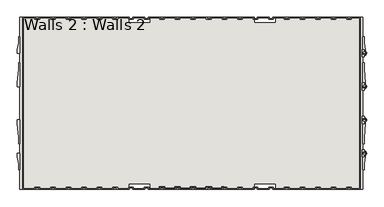
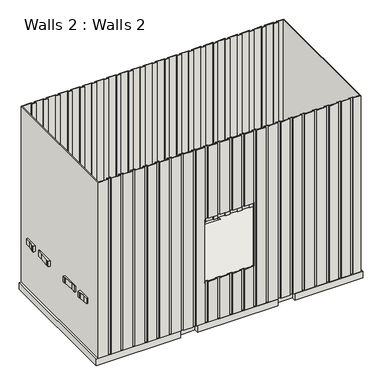
"""IFC4 building model written with IfcOpenShell, lengths in millimetres: wall geometry, Walls 2 : Walls 2."""

from ifc_helpers import new_model, si_unit, point, frame, frame_2d, origin, origin_with_axes, place, context, project, spatial, polyline, circle_curve, trimmed, segment, composite_curve, outline, extrude, faceted_brep, source, transform, mapped, element, save


def walls_2_walls_2_4fd3017e(model_context):
    return source(origin(), model_context, "Body", "SolidModel", [
        extrude(outline(polyline([(5272.3343803, 284.0951922), (5272.3343803, 207.8951922), (5577.1343803, 207.8951922), (5577.1343803, 284.0951922), (7054.9525621, 284.0951922), (7054.9525621, 207.8951922), (7359.7525621, 207.8951922), (7359.7525621, 284.0951922), (8602.0434712, 284.0951922), (8602.0434712, -2154.3048078), (7359.7525621, -2154.3048078), (7359.7525621, -2078.1048078), (7054.9525621, -2078.1048078), (7054.9525621, -2154.3048078), (5577.1343803, -2154.3048078), (5577.1343803, -2078.1048078), (5272.3343803, -2078.1048078), (5272.3343803, -2154.3048078), (3725.2434712, -2154.3048078), (3725.2434712, 284.0951922), (5272.3343803, 284.0951922)])), origin_with_axes(), (0.0, 0.0, 1.0), 127.0),
        faceted_brep([(3946.9161985, 284.0951922, 3530.6), (3763.3434712, 284.0951922, 3530.6), (3763.3434712, -2154.3048078, 3530.6), (3946.9161985, -2154.3048078, 3530.6), (3946.9161985, -2135.2548078, 3530.6), (3997.7161985, -2135.2548078, 3530.6), (3997.7161985, -2154.3048078, 3530.6), (4168.5889258, -2154.3048078, 3530.6), (4168.5889258, -2135.2548078, 3530.6), (4219.3889258, -2135.2548078, 3530.6), (4219.3889258, -2154.3048078, 3530.6), (4390.261653, -2154.3048078, 3530.6), (4390.261653, -2135.2548078, 3530.6), (4441.061653, -2135.2548078, 3530.6), (4441.061653, -2154.3048078, 3530.6), (4611.9343803, -2154.3048078, 3530.6), (4611.9343803, -2135.2548078, 3530.6), (4662.7343803, -2135.2548078, 3530.6), (4662.7343803, -2154.3048078, 3530.6), (4833.6071076, -2154.3048078, 3530.6), (4833.6071076, -2135.2548078, 3530.6), (4884.4071076, -2135.2548078, 3530.6), (4884.4071076, -2154.3048078, 3530.6), (5055.2798349, -2154.3048078, 3530.6), (5055.2798349, -2135.2548078, 3530.6), (5106.0798349, -2135.2548078, 3530.6), (5106.0798349, -2154.3048078, 3530.6), (5276.9525621, -2154.3048078, 3530.6), (5276.9525621, -2135.2548078, 3530.6), (5327.7525621, -2135.2548078, 3530.6), (5327.7525621, -2154.3048078, 3530.6), (5498.6252894, -2154.3048078, 3530.6), (5498.6252894, -2135.2548078, 3530.6), (5549.4252894, -2135.2548078, 3530.6), (5549.4252894, -2154.3048078, 3530.6), (5720.2980167, -2154.3048078, 3530.6), (5720.2980167, -2135.2548078, 3530.6), (5771.0980167, -2135.2548078, 3530.6), (5771.0980167, -2154.3048078, 3530.6), (5941.970744, -2154.3048078, 3530.6), (5941.970744, -2135.2548078, 3530.6), (5992.770744, -2135.2548078, 3530.6), (5992.770744, -2154.3048078, 3530.6), (6163.6434712, -2154.3048078, 3530.6), (6163.6434712, -2135.2548078, 3530.6), (6214.4434712, -2135.2548078, 3530.6), (6214.4434712, -2154.3048078, 3530.6), (6385.3161985, -2154.3048078, 3530.6), (6385.3161985, -2135.2548078, 3530.6), (6436.1161985, -2135.2548078, 3530.6), (6436.1161985, -2154.3048078, 3530.6), (6606.9889258, -2154.3048078, 3530.6), (6606.9889258, -2135.2548078, 3530.6), (6657.7889258, -2135.2548078, 3530.6), (6657.7889258, -2154.3048078, 3530.6), (6828.661653, -2154.3048078, 3530.6), (6828.661653, -2135.2548078, 3530.6), (6879.461653, -2135.2548078, 3530.6), (6879.461653, -2154.3048078, 3530.6), (7050.3343803, -2154.3048078, 3530.6), (7050.3343803, -2135.2548078, 3530.6), (7101.1343803, -2135.2548078, 3530.6), (7101.1343803, -2154.3048078, 3530.6), (7272.0071076, -2154.3048078, 3530.6), (7272.0071076, -2135.2548078, 3530.6), (7322.8071076, -2135.2548078, 3530.6), (7322.8071076, -2154.3048078, 3530.6), (7493.6798349, -2154.3048078, 3530.6), (7493.6798349, -2135.2548078, 3530.6), (7544.4798349, -2135.2548078, 3530.6), (7544.4798349, -2154.3048078, 3530.6), (7715.3525621, -2154.3048078, 3530.6), (7715.3525621, -2135.2548078, 3530.6), (7766.1525621, -2135.2548078, 3530.6), (7766.1525621, -2154.3048078, 3530.6), (7937.0252894, -2154.3048078, 3530.6), (7937.0252894, -2135.2548078, 3530.6), (7987.8252894, -2135.2548078, 3530.6), (7987.8252894, -2154.3048078, 3530.6), (8158.6980167, -2154.3048078, 3530.6), (8158.6980167, -2135.2548078, 3530.6), (8209.4980167, -2135.2548078, 3530.6), (8209.4980167, -2154.3048078, 3530.6), (8380.370744, -2154.3048078, 3530.6), (8380.370744, -2135.2548078, 3530.6), (8431.170744, -2135.2548078, 3530.6), (8431.170744, -2154.3048078, 3530.6), (8563.9434712, -2154.3048078, 3530.6), (8563.9434712, 284.0951922, 3530.6), (8431.170744, 284.0951922, 3530.6), (8431.170744, 265.0451922, 3530.6), (8380.370744, 265.0451922, 3530.6), (8380.370744, 284.0951922, 3530.6), (8209.4980167, 284.0951922, 3530.6), (8209.4980167, 265.0451922, 3530.6), (8158.6980167, 265.0451922, 3530.6), (8158.6980167, 284.0951922, 3530.6), (7987.8252894, 284.0951922, 3530.6), (7987.8252894, 265.0451922, 3530.6), (7937.0252894, 265.0451922, 3530.6), (7937.0252894, 284.0951922, 3530.6), (7766.1525621, 284.0951922, 3530.6), (7766.1525621, 265.0451922, 3530.6), (7715.3525621, 265.0451922, 3530.6), (7715.3525621, 284.0951922, 3530.6), (7544.4798349, 284.0951922, 3530.6), (7544.4798349, 265.0451922, 3530.6), (7493.6798349, 265.0451922, 3530.6), (7493.6798349, 284.0951922, 3530.6), (7322.8071076, 284.0951922, 3530.6), (7322.8071076, 265.0451922, 3530.6), (7272.0071076, 265.0451922, 3530.6), (7272.0071076, 284.0951922, 3530.6), (7101.1343803, 284.0951922, 3530.6), (7101.1343803, 265.0451922, 3530.6), (7050.3343803, 265.0451922, 3530.6), (7050.3343803, 284.0951922, 3530.6), (6879.461653, 284.0951922, 3530.6), (6879.461653, 265.0451922, 3530.6), (6828.661653, 265.0451922, 3530.6), (6828.661653, 284.0951922, 3530.6), (6657.7889258, 284.0951922, 3530.6), (6657.7889258, 265.0451922, 3530.6), (6606.9889258, 265.0451922, 3530.6), (6606.9889258, 284.0951922, 3530.6), (6436.1161985, 284.0951922, 3530.6), (6436.1161985, 265.0451922, 3530.6), (6385.3161985, 265.0451922, 3530.6), (6385.3161985, 284.0951922, 3530.6), (6214.4434712, 284.0951922, 3530.6), (6214.4434712, 265.0451922, 3530.6), (6163.6434712, 265.0451922, 3530.6), (6163.6434712, 284.0951922, 3530.6), (5992.770744, 284.0951922, 3530.6), (5992.770744, 265.0451922, 3530.6), (5941.970744, 265.0451922, 3530.6), (5941.970744, 284.0951922, 3530.6), (5771.0980167, 284.0951922, 3530.6), (5771.0980167, 265.0451922, 3530.6), (5720.2980167, 265.0451922, 3530.6), (5720.2980167, 284.0951922, 3530.6), (5549.4252894, 284.0951922, 3530.6), (5549.4252894, 265.0451922, 3530.6), (5498.6252894, 265.0451922, 3530.6), (5498.6252894, 284.0951922, 3530.6), (5327.7525621, 284.0951922, 3530.6), (5327.7525621, 265.0451922, 3530.6), (5276.9525621, 265.0451922, 3530.6), (5276.9525621, 284.0951922, 3530.6), (5106.0798349, 284.0951922, 3530.6), (5106.0798349, 265.0451922, 3530.6), (5055.2798349, 265.0451922, 3530.6), (5055.2798349, 284.0951922, 3530.6), (4884.4071076, 284.0951922, 3530.6), (4884.4071076, 265.0451922, 3530.6), (4833.6071076, 265.0451922, 3530.6), (4833.6071076, 284.0951922, 3530.6), (4662.7343803, 284.0951922, 3530.6), (4662.7343803, 265.0451922, 3530.6), (4611.9343803, 265.0451922, 3530.6), (4611.9343803, 284.0951922, 3530.6), (4441.061653, 284.0951922, 3530.6), (4441.061653, 265.0451922, 3530.6), (4390.261653, 265.0451922, 3530.6), (4390.261653, 284.0951922, 3530.6), (4219.3889258, 284.0951922, 3530.6), (4219.3889258, 265.0451922, 3530.6), (4168.5889258, 265.0451922, 3530.6), (4168.5889258, 284.0951922, 3530.6), (3997.7161985, 284.0951922, 3530.6), (3997.7161985, 265.0451922, 3530.6), (3946.9161985, 265.0451922, 3530.6), (3777.6309712, -2140.0173078, 3530.6), (3777.6309712, 269.8076922, 3530.6), (3932.6286985, 269.8076922, 3530.6), (3932.6286985, 250.7576922, 3530.6), (4012.0036985, 250.7576922, 3530.6), (4012.0036985, 269.8076922, 3530.6), (4154.3014258, 269.8076922, 3530.6), (4154.3014258, 250.7576922, 3530.6), (4233.6764258, 250.7576922, 3530.6), (4233.6764258, 269.8076922, 3530.6), (4375.974153, 269.8076922, 3530.6), (4375.974153, 250.7576922, 3530.6), (4455.349153, 250.7576922, 3530.6), (4455.349153, 269.8076922, 3530.6), (4597.6468803, 269.8076922, 3530.6), (4597.6468803, 250.7576922, 3530.6), (4677.0218803, 250.7576922, 3530.6), (4677.0218803, 269.8076922, 3530.6), (4819.3196076, 269.8076922, 3530.6), (4819.3196076, 250.7576922, 3530.6), (4898.6946076, 250.7576922, 3530.6), (4898.6946076, 269.8076922, 3530.6), (5040.9923349, 269.8076922, 3530.6), (5040.9923349, 250.7576922, 3530.6), (5120.3673349, 250.7576922, 3530.6), (5120.3673349, 269.8076922, 3530.6), (5262.6650621, 269.8076922, 3530.6), (5262.6650621, 250.7576922, 3530.6), (5342.0400621, 250.7576922, 3530.6), (5342.0400621, 269.8076922, 3530.6), (5484.3377894, 269.8076922, 3530.6), (5484.3377894, 250.7576922, 3530.6), (5563.7127894, 250.7576922, 3530.6), (5563.7127894, 269.8076922, 3530.6), (5706.0105167, 269.8076922, 3530.6), (5706.0105167, 250.7576922, 3530.6), (5785.3855167, 250.7576922, 3530.6), (5785.3855167, 269.8076922, 3530.6), (5927.683244, 269.8076922, 3530.6), (5927.683244, 250.7576922, 3530.6), (6007.058244, 250.7576922, 3530.6), (6007.058244, 269.8076922, 3530.6), (6149.3559712, 269.8076922, 3530.6), (6149.3559712, 250.7576922, 3530.6), (6228.7309712, 250.7576922, 3530.6), (6228.7309712, 269.8076922, 3530.6), (6371.0286985, 269.8076922, 3530.6), (6371.0286985, 250.7576922, 3530.6), (6450.4036985, 250.7576922, 3530.6), (6450.4036985, 269.8076922, 3530.6), (6592.7014258, 269.8076922, 3530.6), (6592.7014258, 250.7576922, 3530.6), (6672.0764258, 250.7576922, 3530.6), (6672.0764258, 269.8076922, 3530.6), (6814.374153, 269.8076922, 3530.6), (6814.374153, 250.7576922, 3530.6), (6893.749153, 250.7576922, 3530.6), (6893.749153, 269.8076922, 3530.6), (7036.0468803, 269.8076922, 3530.6), (7036.0468803, 250.7576922, 3530.6), (7115.4218803, 250.7576922, 3530.6), (7115.4218803, 269.8076922, 3530.6), (7257.7196076, 269.8076922, 3530.6), (7257.7196076, 250.7576922, 3530.6), (7337.0946076, 250.7576922, 3530.6), (7337.0946076, 269.8076922, 3530.6), (7479.3923349, 269.8076922, 3530.6), (7479.3923349, 250.7576922, 3530.6), (7558.7673349, 250.7576922, 3530.6), (7558.7673349, 269.8076922, 3530.6), (7701.0650621, 269.8076922, 3530.6), (7701.0650621, 250.7576922, 3530.6), (7780.4400621, 250.7576922, 3530.6), (7780.4400621, 269.8076922, 3530.6), (7922.7377894, 269.8076922, 3530.6), (7922.7377894, 250.7576922, 3530.6), (8002.1127894, 250.7576922, 3530.6), (8002.1127894, 269.8076922, 3530.6), (8144.4105167, 269.8076922, 3530.6), (8144.4105167, 250.7576922, 3530.6), (8223.7855167, 250.7576922, 3530.6), (8223.7855167, 269.8076922, 3530.6), (8366.083244, 269.8076922, 3530.6), (8366.083244, 250.7576922, 3530.6), (8445.458244, 250.7576922, 3530.6), (8445.458244, 269.8076922, 3530.6), (8549.6559712, 269.8076922, 3530.6), (8549.6559712, -2140.0173078, 3530.6), (8445.458244, -2140.0173078, 3530.6), (8445.458244, -2120.9673078, 3530.6), (8366.083244, -2120.9673078, 3530.6), (8366.083244, -2140.0173078, 3530.6), (8223.7855167, -2140.0173078, 3530.6), (8223.7855167, -2120.9673078, 3530.6), (8144.4105167, -2120.9673078, 3530.6), (8144.4105167, -2140.0173078, 3530.6), (8002.1127894, -2140.0173078, 3530.6), (8002.1127894, -2120.9673078, 3530.6), (7922.7377894, -2120.9673078, 3530.6), (7922.7377894, -2140.0173078, 3530.6), (7780.4400621, -2140.0173078, 3530.6), (7780.4400621, -2120.9673078, 3530.6), (7701.0650621, -2120.9673078, 3530.6), (7701.0650621, -2140.0173078, 3530.6), (7558.7673349, -2140.0173078, 3530.6), (7558.7673349, -2120.9673078, 3530.6), (7479.3923349, -2120.9673078, 3530.6), (7479.3923349, -2140.0173078, 3530.6), (7337.0946076, -2140.0173078, 3530.6), (7337.0946076, -2120.9673078, 3530.6), (7257.7196076, -2120.9673078, 3530.6), (7257.7196076, -2140.0173078, 3530.6), (7115.4218803, -2140.0173078, 3530.6), (7115.4218803, -2120.9673078, 3530.6), (7036.0468803, -2120.9673078, 3530.6), (7036.0468803, -2140.0173078, 3530.6), (6893.749153, -2140.0173078, 3530.6), (6893.749153, -2120.9673078, 3530.6), (6814.374153, -2120.9673078, 3530.6), (6814.374153, -2140.0173078, 3530.6), (6672.0764258, -2140.0173078, 3530.6), (6672.0764258, -2120.9673078, 3530.6), (6592.7014258, -2120.9673078, 3530.6), (6592.7014258, -2140.0173078, 3530.6), (6450.4036985, -2140.0173078, 3530.6), (6450.4036985, -2120.9673078, 3530.6), (6371.0286985, -2120.9673078, 3530.6), (6371.0286985, -2140.0173078, 3530.6), (6228.7309712, -2140.0173078, 3530.6), (6228.7309712, -2120.9673078, 3530.6), (6149.3559712, -2120.9673078, 3530.6), (6149.3559712, -2140.0173078, 3530.6), (6007.058244, -2140.0173078, 3530.6), (6007.058244, -2120.9673078, 3530.6), (5927.683244, -2120.9673078, 3530.6), (5927.683244, -2140.0173078, 3530.6), (5785.3855167, -2140.0173078, 3530.6), (5785.3855167, -2120.9673078, 3530.6), (5706.0105167, -2120.9673078, 3530.6), (5706.0105167, -2140.0173078, 3530.6), (5563.7127894, -2140.0173078, 3530.6), (5563.7127894, -2120.9673078, 3530.6), (5484.3377894, -2120.9673078, 3530.6), (5484.3377894, -2140.0173078, 3530.6), (5342.0400621, -2140.0173078, 3530.6), (5342.0400621, -2120.9673078, 3530.6), (5262.6650621, -2120.9673078, 3530.6), (5262.6650621, -2140.0173078, 3530.6), (5120.3673349, -2140.0173078, 3530.6), (5120.3673349, -2120.9673078, 3530.6), (5040.9923349, -2120.9673078, 3530.6), (5040.9923349, -2140.0173078, 3530.6), (4898.6946076, -2140.0173078, 3530.6), (4898.6946076, -2120.9673078, 3530.6), (4819.3196076, -2120.9673078, 3530.6), (4819.3196076, -2140.0173078, 3530.6), (4677.0218803, -2140.0173078, 3530.6), (4677.0218803, -2120.9673078, 3530.6), (4597.6468803, -2120.9673078, 3530.6), (4597.6468803, -2140.0173078, 3530.6), (4455.349153, -2140.0173078, 3530.6), (4455.349153, -2120.9673078, 3530.6), (4375.974153, -2120.9673078, 3530.6), (4375.974153, -2140.0173078, 3530.6), (4233.6764258, -2140.0173078, 3530.6), (4233.6764258, -2120.9673078, 3530.6), (4154.3014258, -2120.9673078, 3530.6), (4154.3014258, -2140.0173078, 3530.6), (4012.0036985, -2140.0173078, 3530.6), (4012.0036985, -2120.9673078, 3530.6), (3932.6286985, -2120.9673078, 3530.6), (3932.6286985, -2140.0173078, 3530.6), (3946.9161985, 284.0951922, 127.0), (3946.9161985, 265.0451922, 127.0), (3997.7161985, 265.0451922, 127.0), (3997.7161985, 284.0951922, 127.0), (4168.5889258, 284.0951922, 127.0), (4168.5889258, 265.0451922, 127.0), (4219.3889258, 265.0451922, 127.0), (4219.3889258, 284.0951922, 127.0), (4390.261653, 284.0951922, 127.0), (4390.261653, 265.0451922, 127.0), (4441.061653, 265.0451922, 127.0), (4441.061653, 284.0951922, 127.0), (4611.9343803, 284.0951922, 127.0), (4611.9343803, 265.0451922, 127.0), (4662.7343803, 265.0451922, 127.0), (4662.7343803, 284.0951922, 127.0), (4833.6071076, 284.0951922, 127.0), (4833.6071076, 265.0451922, 127.0), (4884.4071076, 265.0451922, 127.0), (4884.4071076, 284.0951922, 127.0), (5055.2798349, 284.0951922, 127.0), (5055.2798349, 265.0451922, 127.0), (5106.0798349, 265.0451922, 127.0), (5106.0798349, 284.0951922, 127.0), (5276.9525621, 284.0951922, 127.0), (5276.9525621, 265.0451922, 127.0), (5327.7525621, 265.0451922, 127.0), (5327.7525621, 284.0951922, 127.0), (5498.6252894, 284.0951922, 127.0), (5498.6252894, 265.0451922, 127.0), (5549.4252894, 265.0451922, 127.0), (5549.4252894, 284.0951922, 127.0), (5720.2980167, 284.0951922, 127.0), (5720.2980167, 265.0451922, 127.0), (5771.0980167, 265.0451922, 127.0), (5771.0980167, 284.0951922, 127.0), (5941.970744, 284.0951922, 127.0), (5941.970744, 265.0451922, 127.0), (5992.770744, 265.0451922, 127.0), (5992.770744, 284.0951922, 127.0), (6163.6434712, 284.0951922, 127.0), (6163.6434712, 265.0451922, 127.0), (6214.4434712, 265.0451922, 127.0), (6214.4434712, 284.0951922, 127.0), (6385.3161985, 284.0951922, 127.0), (6385.3161985, 265.0451922, 127.0), (6436.1161985, 265.0451922, 127.0), (6436.1161985, 284.0951922, 127.0), (6606.9889258, 284.0951922, 127.0), (6606.9889258, 265.0451922, 127.0), (6657.7889258, 265.0451922, 127.0), (6657.7889258, 284.0951922, 127.0), (6828.661653, 284.0951922, 127.0), (6828.661653, 265.0451922, 127.0), (6879.461653, 265.0451922, 127.0), (6879.461653, 284.0951922, 127.0), (7050.3343803, 284.0951922, 127.0), (7050.3343803, 265.0451922, 127.0), (7101.1343803, 265.0451922, 127.0), (7101.1343803, 284.0951922, 127.0), (7272.0071076, 284.0951922, 127.0), (7272.0071076, 265.0451922, 127.0), (7322.8071076, 265.0451922, 127.0), (7322.8071076, 284.0951922, 127.0), (7493.6798349, 284.0951922, 127.0), (7493.6798349, 265.0451922, 127.0), (7544.4798349, 265.0451922, 127.0), (7544.4798349, 284.0951922, 127.0), (7715.3525621, 284.0951922, 127.0), (7715.3525621, 265.0451922, 127.0), (7766.1525621, 265.0451922, 127.0), (7766.1525621, 284.0951922, 127.0), (7937.0252894, 284.0951922, 127.0), (7937.0252894, 265.0451922, 127.0), (7987.8252894, 265.0451922, 127.0), (7987.8252894, 284.0951922, 127.0), (8158.6980167, 284.0951922, 127.0), (8158.6980167, 265.0451922, 127.0), (8209.4980167, 265.0451922, 127.0), (8209.4980167, 284.0951922, 127.0), (8380.370744, 284.0951922, 127.0), (8380.370744, 265.0451922, 127.0), (8431.170744, 265.0451922, 127.0), (8431.170744, 284.0951922, 127.0), (8563.9434712, 284.0951922, 127.0), (8563.9434712, -2154.3048078, 127.0), (8431.170744, -2154.3048078, 127.0), (8431.170744, -2135.2548078, 127.0), (8380.370744, -2135.2548078, 127.0), (8380.370744, -2154.3048078, 127.0), (8209.4980167, -2154.3048078, 127.0), (8209.4980167, -2135.2548078, 127.0), (8158.6980167, -2135.2548078, 127.0), (8158.6980167, -2154.3048078, 127.0), (7987.8252894, -2154.3048078, 127.0), (7987.8252894, -2135.2548078, 127.0), (7937.0252894, -2135.2548078, 127.0), (7937.0252894, -2154.3048078, 127.0), (7766.1525621, -2154.3048078, 127.0), (7766.1525621, -2135.2548078, 127.0), (7715.3525621, -2135.2548078, 127.0), (7715.3525621, -2154.3048078, 127.0), (7544.4798349, -2154.3048078, 127.0), (7544.4798349, -2135.2548078, 127.0), (7493.6798349, -2135.2548078, 127.0), (7493.6798349, -2154.3048078, 127.0), (7322.8071076, -2154.3048078, 127.0), (7322.8071076, -2135.2548078, 127.0), (7272.0071076, -2135.2548078, 127.0), (7272.0071076, -2154.3048078, 127.0), (7101.1343803, -2154.3048078, 127.0), (7101.1343803, -2135.2548078, 127.0), (7050.3343803, -2135.2548078, 127.0), (7050.3343803, -2154.3048078, 127.0), (6879.461653, -2154.3048078, 127.0), (6879.461653, -2135.2548078, 127.0), (6828.661653, -2135.2548078, 127.0), (6828.661653, -2154.3048078, 127.0), (6657.7889258, -2154.3048078, 127.0), (6657.7889258, -2135.2548078, 127.0), (6606.9889258, -2135.2548078, 127.0), (6606.9889258, -2154.3048078, 127.0), (6436.1161985, -2154.3048078, 127.0), (6436.1161985, -2135.2548078, 127.0), (6385.3161985, -2135.2548078, 127.0), (6385.3161985, -2154.3048078, 127.0), (6214.4434712, -2154.3048078, 127.0), (6214.4434712, -2135.2548078, 127.0), (6163.6434712, -2135.2548078, 127.0), (6163.6434712, -2154.3048078, 127.0), (5992.770744, -2154.3048078, 127.0), (5992.770744, -2135.2548078, 127.0), (5941.970744, -2135.2548078, 127.0), (5941.970744, -2154.3048078, 127.0), (5771.0980167, -2154.3048078, 127.0), (5771.0980167, -2135.2548078, 127.0), (5720.2980167, -2135.2548078, 127.0), (5720.2980167, -2154.3048078, 127.0), (5549.4252894, -2154.3048078, 127.0), (5549.4252894, -2135.2548078, 127.0), (5498.6252894, -2135.2548078, 127.0), (5498.6252894, -2154.3048078, 127.0), (5327.7525621, -2154.3048078, 127.0), (5327.7525621, -2135.2548078, 127.0), (5276.9525621, -2135.2548078, 127.0), (5276.9525621, -2154.3048078, 127.0), (5106.0798349, -2154.3048078, 127.0), (5106.0798349, -2135.2548078, 127.0), (5055.2798349, -2135.2548078, 127.0), (5055.2798349, -2154.3048078, 127.0), (4884.4071076, -2154.3048078, 127.0), (4884.4071076, -2135.2548078, 127.0), (4833.6071076, -2135.2548078, 127.0), (4833.6071076, -2154.3048078, 127.0), (4662.7343803, -2154.3048078, 127.0), (4662.7343803, -2135.2548078, 127.0), (4611.9343803, -2135.2548078, 127.0), (4611.9343803, -2154.3048078, 127.0), (4441.061653, -2154.3048078, 127.0), (4441.061653, -2135.2548078, 127.0), (4390.261653, -2135.2548078, 127.0), (4390.261653, -2154.3048078, 127.0), (4219.3889258, -2154.3048078, 127.0), (4219.3889258, -2135.2548078, 127.0), (4168.5889258, -2135.2548078, 127.0), (4168.5889258, -2154.3048078, 127.0), (3997.7161985, -2154.3048078, 127.0), (3997.7161985, -2135.2548078, 127.0), (3946.9161985, -2135.2548078, 127.0), (3946.9161985, -2154.3048078, 127.0), (3763.3434712, -2154.3048078, 127.0), (3763.3434712, 284.0951922, 127.0), (3777.6309712, 269.8076922, 127.0), (3777.6309712, -2140.0173078, 127.0), (3932.6286985, -2140.0173078, 127.0), (3932.6286985, -2120.9673078, 127.0), (4012.0036985, -2120.9673078, 127.0), (4012.0036985, -2140.0173078, 127.0), (4154.3014258, -2140.0173078, 127.0), (4154.3014258, -2120.9673078, 127.0), (4233.6764258, -2120.9673078, 127.0), (4233.6764258, -2140.0173078, 127.0), (4375.974153, -2140.0173078, 127.0), (4375.974153, -2120.9673078, 127.0), (4455.349153, -2120.9673078, 127.0), (4455.349153, -2140.0173078, 127.0), (4597.6468803, -2140.0173078, 127.0), (4597.6468803, -2120.9673078, 127.0), (4677.0218803, -2120.9673078, 127.0), (4677.0218803, -2140.0173078, 127.0), (4819.3196076, -2140.0173078, 127.0), (4819.3196076, -2120.9673078, 127.0), (4898.6946076, -2120.9673078, 127.0), (4898.6946076, -2140.0173078, 127.0), (5040.9923349, -2140.0173078, 127.0), (5040.9923349, -2120.9673078, 127.0), (5120.3673349, -2120.9673078, 127.0), (5120.3673349, -2140.0173078, 127.0), (5262.6650621, -2140.0173078, 127.0), (5262.6650621, -2120.9673078, 127.0), (5342.0400621, -2120.9673078, 127.0), (5342.0400621, -2140.0173078, 127.0), (5484.3377894, -2140.0173078, 127.0), (5484.3377894, -2120.9673078, 127.0), (5563.7127894, -2120.9673078, 127.0), (5563.7127894, -2140.0173078, 127.0), (5706.0105167, -2140.0173078, 127.0), (5706.0105167, -2120.9673078, 127.0), (5785.3855167, -2120.9673078, 127.0), (5785.3855167, -2140.0173078, 127.0), (5927.683244, -2140.0173078, 127.0), (5927.683244, -2120.9673078, 127.0), (6007.058244, -2120.9673078, 127.0), (6007.058244, -2140.0173078, 127.0), (6149.3559712, -2140.0173078, 127.0), (6149.3559712, -2120.9673078, 127.0), (6228.7309712, -2120.9673078, 127.0), (6228.7309712, -2140.0173078, 127.0), (6371.0286985, -2140.0173078, 127.0), (6371.0286985, -2120.9673078, 127.0), (6450.4036985, -2120.9673078, 127.0), (6450.4036985, -2140.0173078, 127.0), (6592.7014258, -2140.0173078, 127.0), (6592.7014258, -2120.9673078, 127.0), (6672.0764258, -2120.9673078, 127.0), (6672.0764258, -2140.0173078, 127.0), (6814.374153, -2140.0173078, 127.0), (6814.374153, -2120.9673078, 127.0), (6893.749153, -2120.9673078, 127.0), (6893.749153, -2140.0173078, 127.0), (7036.0468803, -2140.0173078, 127.0), (7036.0468803, -2120.9673078, 127.0), (7115.4218803, -2120.9673078, 127.0), (7115.4218803, -2140.0173078, 127.0), (7257.7196076, -2140.0173078, 127.0), (7257.7196076, -2120.9673078, 127.0), (7337.0946076, -2120.9673078, 127.0), (7337.0946076, -2140.0173078, 127.0), (7479.3923349, -2140.0173078, 127.0), (7479.3923349, -2120.9673078, 127.0), (7558.7673349, -2120.9673078, 127.0), (7558.7673349, -2140.0173078, 127.0), (7701.0650621, -2140.0173078, 127.0), (7701.0650621, -2120.9673078, 127.0), (7780.4400621, -2120.9673078, 127.0), (7780.4400621, -2140.0173078, 127.0), (7922.7377894, -2140.0173078, 127.0), (7922.7377894, -2120.9673078, 127.0), (8002.1127894, -2120.9673078, 127.0), (8002.1127894, -2140.0173078, 127.0), (8144.4105167, -2140.0173078, 127.0), (8144.4105167, -2120.9673078, 127.0), (8223.7855167, -2120.9673078, 127.0), (8223.7855167, -2140.0173078, 127.0), (8366.083244, -2140.0173078, 127.0), (8366.083244, -2120.9673078, 127.0), (8445.458244, -2120.9673078, 127.0), (8445.458244, -2140.0173078, 127.0), (8549.6559712, -2140.0173078, 127.0), (8549.6559712, 269.8076922, 127.0), (8445.458244, 269.8076922, 127.0), (8445.458244, 250.7576922, 127.0), (8366.083244, 250.7576922, 127.0), (8366.083244, 269.8076922, 127.0), (8223.7855167, 269.8076922, 127.0), (8223.7855167, 250.7576922, 127.0), (8144.4105167, 250.7576922, 127.0), (8144.4105167, 269.8076922, 127.0), (8002.1127894, 269.8076922, 127.0), (8002.1127894, 250.7576922, 127.0), (7922.7377894, 250.7576922, 127.0), (7922.7377894, 269.8076922, 127.0), (7780.4400621, 269.8076922, 127.0), (7780.4400621, 250.7576922, 127.0), (7701.0650621, 250.7576922, 127.0), (7701.0650621, 269.8076922, 127.0), (7558.7673349, 269.8076922, 127.0), (7558.7673349, 250.7576922, 127.0), (7479.3923349, 250.7576922, 127.0), (7479.3923349, 269.8076922, 127.0), (7337.0946076, 269.8076922, 127.0), (7337.0946076, 250.7576922, 127.0), (7257.7196076, 250.7576922, 127.0), (7257.7196076, 269.8076922, 127.0), (7115.4218803, 269.8076922, 127.0), (7115.4218803, 250.7576922, 127.0), (7036.0468803, 250.7576922, 127.0), (7036.0468803, 269.8076922, 127.0), (6893.749153, 269.8076922, 127.0), (6893.749153, 250.7576922, 127.0), (6814.374153, 250.7576922, 127.0), (6814.374153, 269.8076922, 127.0), (6672.0764258, 269.8076922, 127.0), (6672.0764258, 250.7576922, 127.0), (6592.7014258, 250.7576922, 127.0), (6592.7014258, 269.8076922, 127.0), (6450.4036985, 269.8076922, 127.0), (6450.4036985, 250.7576922, 127.0), (6371.0286985, 250.7576922, 127.0), (6371.0286985, 269.8076922, 127.0), (6228.7309712, 269.8076922, 127.0), (6228.7309712, 250.7576922, 127.0), (6149.3559712, 250.7576922, 127.0), (6149.3559712, 269.8076922, 127.0), (6007.058244, 269.8076922, 127.0), (6007.058244, 250.7576922, 127.0), (5927.683244, 250.7576922, 127.0), (5927.683244, 269.8076922, 127.0), (5785.3855167, 269.8076922, 127.0), (5785.3855167, 250.7576922, 127.0), (5706.0105167, 250.7576922, 127.0), (5706.0105167, 269.8076922, 127.0), (5563.7127894, 269.8076922, 127.0), (5563.7127894, 250.7576922, 127.0), (5484.3377894, 250.7576922, 127.0), (5484.3377894, 269.8076922, 127.0), (5342.0400621, 269.8076922, 127.0), (5342.0400621, 250.7576922, 127.0), (5262.6650621, 250.7576922, 127.0), (5262.6650621, 269.8076922, 127.0), (5120.3673349, 269.8076922, 127.0), (5120.3673349, 250.7576922, 127.0), (5040.9923349, 250.7576922, 127.0), (5040.9923349, 269.8076922, 127.0), (4898.6946076, 269.8076922, 127.0), (4898.6946076, 250.7576922, 127.0), (4819.3196076, 250.7576922, 127.0), (4819.3196076, 269.8076922, 127.0), (4677.0218803, 269.8076922, 127.0), (4677.0218803, 250.7576922, 127.0), (4597.6468803, 250.7576922, 127.0), (4597.6468803, 269.8076922, 127.0), (4455.349153, 269.8076922, 127.0), (4455.349153, 250.7576922, 127.0), (4375.974153, 250.7576922, 127.0), (4375.974153, 269.8076922, 127.0), (4233.6764258, 269.8076922, 127.0), (4233.6764258, 250.7576922, 127.0), (4154.3014258, 250.7576922, 127.0), (4154.3014258, 269.8076922, 127.0), (4012.0036985, 269.8076922, 127.0), (4012.0036985, 250.7576922, 127.0), (3932.6286985, 250.7576922, 127.0), (3932.6286985, 269.8076922, 127.0), (5720.2980167, -2154.3048078, 914.4), (5706.4434712, -2154.3048078, 914.4), (5706.4434712, -2154.3048078, 2133.6), (5720.2980167, -2154.3048078, 2133.6), (5720.2980167, -2135.2548078, 2133.6), (5720.2980167, -2135.2548078, 914.4), (5771.0980167, -2135.2548078, 2133.6), (5771.0980167, -2135.2548078, 914.4), (5771.0980167, -2154.3048078, 2133.6), (5771.0980167, -2154.3048078, 914.4), (5941.970744, -2154.3048078, 2133.6), (5941.970744, -2154.3048078, 914.4), (5941.970744, -2135.2548078, 2133.6), (5941.970744, -2135.2548078, 914.4), (5992.770744, -2135.2548078, 2133.6), (5992.770744, -2135.2548078, 914.4), (5992.770744, -2154.3048078, 2133.6), (5992.770744, -2154.3048078, 914.4), (6163.6434712, -2154.3048078, 2133.6), (6163.6434712, -2154.3048078, 914.4), (6163.6434712, -2135.2548078, 2133.6), (6163.6434712, -2135.2548078, 914.4), (6214.4434712, -2135.2548078, 2133.6), (6214.4434712, -2135.2548078, 914.4), (6214.4434712, -2154.3048078, 2133.6), (6214.4434712, -2154.3048078, 914.4), (6385.3161985, -2154.3048078, 2133.6), (6385.3161985, -2154.3048078, 914.4), (6385.3161985, -2135.2548078, 2133.6), (6385.3161985, -2135.2548078, 914.4), (6436.1161985, -2135.2548078, 2133.6), (6436.1161985, -2135.2548078, 914.4), (6436.1161985, -2154.3048078, 2133.6), (6436.1161985, -2154.3048078, 914.4), (6606.9889258, -2154.3048078, 2133.6), (6606.9889258, -2154.3048078, 914.4), (6606.9889258, -2135.2548078, 2133.6), (6606.9889258, -2135.2548078, 914.4), (6620.8434712, -2135.2548078, 2133.6), (6620.8434712, -2135.2548078, 914.4), (5785.3855167, -2120.9673078, 2133.6), (5706.4434712, -2120.9673078, 2133.6), (5706.4434712, -2120.9673078, 914.4), (5785.3855167, -2120.9673078, 914.4), (5785.3855167, -2140.0173078, 2133.6), (5785.3855167, -2140.0173078, 914.4), (5927.683244, -2140.0173078, 2133.6), (5927.683244, -2140.0173078, 914.4), (5927.683244, -2120.9673078, 2133.6), (5927.683244, -2120.9673078, 914.4), (6007.058244, -2120.9673078, 2133.6), (6007.058244, -2120.9673078, 914.4), (6007.058244, -2140.0173078, 2133.6), (6007.058244, -2140.0173078, 914.4), (6149.3559712, -2140.0173078, 2133.6), (6149.3559712, -2140.0173078, 914.4), (6149.3559712, -2120.9673078, 2133.6), (6149.3559712, -2120.9673078, 914.4), (6228.7309712, -2120.9673078, 2133.6), (6228.7309712, -2120.9673078, 914.4), (6228.7309712, -2140.0173078, 2133.6), (6228.7309712, -2140.0173078, 914.4), (6371.0286985, -2140.0173078, 2133.6), (6371.0286985, -2140.0173078, 914.4), (6371.0286985, -2120.9673078, 2133.6), (6371.0286985, -2120.9673078, 914.4), (6450.4036985, -2120.9673078, 2133.6), (6450.4036985, -2120.9673078, 914.4), (6450.4036985, -2140.0173078, 2133.6), (6450.4036985, -2140.0173078, 914.4), (6592.7014258, -2140.0173078, 2133.6), (6592.7014258, -2140.0173078, 914.4), (6592.7014258, -2120.9673078, 2133.6), (6592.7014258, -2120.9673078, 914.4), (6620.8434712, -2120.9673078, 914.4), (6620.8434712, -2120.9673078, 2133.6)], [[[0, 1, 2, 3, 4, 5, 6, 7, 8, 9, 10, 11, 12, 13, 14, 15, 16, 17, 18, 19, 20, 21, 22, 23, 24, 25, 26, 27, 28, 29, 30, 31, 32, 33, 34, 35, 36, 37, 38, 39, 40, 41, 42, 43, 44, 45, 46, 47, 48, 49, 50, 51, 52, 53, 54, 55, 56, 57, 58, 59, 60, 61, 62, 63, 64, 65, 66, 67, 68, 69, 70, 71, 72, 73, 74, 75, 76, 77, 78, 79, 80, 81, 82, 83, 84, 85, 86, 87, 88, 89, 90, 91, 92, 93, 94, 95, 96, 97, 98, 99, 100, 101, 102, 103, 104, 105, 106, 107, 108, 109, 110, 111, 112, 113, 114, 115, 116, 117, 118, 119, 120, 121, 122, 123, 124, 125, 126, 127, 128, 129, 130, 131, 132, 133, 134, 135, 136, 137, 138, 139, 140, 141, 142, 143, 144, 145, 146, 147, 148, 149, 150, 151, 152, 153, 154, 155, 156, 157, 158, 159, 160, 161, 162, 163, 164, 165, 166, 167, 168, 169, 170, 171], [172, 173, 174, 175, 176, 177, 178, 179, 180, 181, 182, 183, 184, 185, 186, 187, 188, 189, 190, 191, 192, 193, 194, 195, 196, 197, 198, 199, 200, 201, 202, 203, 204, 205, 206, 207, 208, 209, 210, 211, 212, 213, 214, 215, 216, 217, 218, 219, 220, 221, 222, 223, 224, 225, 226, 227, 228, 229, 230, 231, 232, 233, 234, 235, 236, 237, 238, 239, 240, 241, 242, 243, 244, 245, 246, 247, 248, 249, 250, 251, 252, 253, 254, 255, 256, 257, 258, 259, 260, 261, 262, 263, 264, 265, 266, 267, 268, 269, 270, 271, 272, 273, 274, 275, 276, 277, 278, 279, 280, 281, 282, 283, 284, 285, 286, 287, 288, 289, 290, 291, 292, 293, 294, 295, 296, 297, 298, 299, 300, 301, 302, 303, 304, 305, 306, 307, 308, 309, 310, 311, 312, 313, 314, 315, 316, 317, 318, 319, 320, 321, 322, 323, 324, 325, 326, 327, 328, 329, 330, 331, 332, 333, 334, 335, 336, 337, 338, 339, 340, 341, 342, 343]], [[344, 345, 346, 347, 348, 349, 350, 351, 352, 353, 354, 355, 356, 357, 358, 359, 360, 361, 362, 363, 364, 365, 366, 367, 368, 369, 370, 371, 372, 373, 374, 375, 376, 377, 378, 379, 380, 381, 382, 383, 384, 385, 386, 387, 388, 389, 390, 391, 392, 393, 394, 395, 396, 397, 398, 399, 400, 401, 402, 403, 404, 405, 406, 407, 408, 409, 410, 411, 412, 413, 414, 415, 416, 417, 418, 419, 420, 421, 422, 423, 424, 425, 426, 427, 428, 429, 430, 431, 432, 433, 434, 435, 436, 437, 438, 439, 440, 441, 442, 443, 444, 445, 446, 447, 448, 449, 450, 451, 452, 453, 454, 455, 456, 457, 458, 459, 460, 461, 462, 463, 464, 465, 466, 467, 468, 469, 470, 471, 472, 473, 474, 475, 476, 477, 478, 479, 480, 481, 482, 483, 484, 485, 486, 487, 488, 489, 490, 491, 492, 493, 494, 495, 496, 497, 498, 499, 500, 501, 502, 503, 504, 505, 506, 507, 508, 509, 510, 511, 512, 513, 514, 515], [516, 517, 518, 519, 520, 521, 522, 523, 524, 525, 526, 527, 528, 529, 530, 531, 532, 533, 534, 535, 536, 537, 538, 539, 540, 541, 542, 543, 544, 545, 546, 547, 548, 549, 550, 551, 552, 553, 554, 555, 556, 557, 558, 559, 560, 561, 562, 563, 564, 565, 566, 567, 568, 569, 570, 571, 572, 573, 574, 575, 576, 577, 578, 579, 580, 581, 582, 583, 584, 585, 586, 587, 588, 589, 590, 591, 592, 593, 594, 595, 596, 597, 598, 599, 600, 601, 602, 603, 604, 605, 606, 607, 608, 609, 610, 611, 612, 613, 614, 615, 616, 617, 618, 619, 620, 621, 622, 623, 624, 625, 626, 627, 628, 629, 630, 631, 632, 633, 634, 635, 636, 637, 638, 639, 640, 641, 642, 643, 644, 645, 646, 647, 648, 649, 650, 651, 652, 653, 654, 655, 656, 657, 658, 659, 660, 661, 662, 663, 664, 665, 666, 667, 668, 669, 670, 671, 672, 673, 674, 675, 676, 677, 678, 679, 680, 681, 682, 683, 684, 685, 686, 687]], [[1, 0, 344, 515]], [[2, 1, 515, 514]], [[3, 2, 514, 513]], [[4, 3, 513, 512]], [[5, 4, 512, 511]], [[6, 5, 511, 510]], [[7, 6, 510, 509]], [[8, 7, 509, 508]], [[9, 8, 508, 507]], [[10, 9, 507, 506]], [[11, 10, 506, 505]], [[12, 11, 505, 504]], [[13, 12, 504, 503]], [[14, 13, 503, 502]], [[15, 14, 502, 501]], [[16, 15, 501, 500]], [[17, 16, 500, 499]], [[18, 17, 499, 498]], [[19, 18, 498, 497]], [[20, 19, 497, 496]], [[21, 20, 496, 495]], [[22, 21, 495, 494]], [[23, 22, 494, 493]], [[24, 23, 493, 492]], [[25, 24, 492, 491]], [[26, 25, 491, 490]], [[27, 26, 490, 489]], [[28, 27, 489, 488]], [[29, 28, 488, 487]], [[30, 29, 487, 486]], [[31, 30, 486, 485]], [[32, 31, 485, 484]], [[33, 32, 484, 483]], [[34, 33, 483, 482]], [[35, 34, 482, 481, 688, 689, 690, 691]], [[36, 35, 691, 692]], [[481, 480, 693, 688]], [[37, 36, 692, 694]], [[480, 479, 695, 693]], [[38, 37, 694, 696]], [[479, 478, 697, 695]], [[39, 38, 696, 698]], [[478, 477, 699, 697]], [[40, 39, 698, 700]], [[477, 476, 701, 699]], [[41, 40, 700, 702]], [[476, 475, 703, 701]], [[42, 41, 702, 704]], [[475, 474, 705, 703]], [[43, 42, 704, 706]], [[474, 473, 707, 705]], [[44, 43, 706, 708]], [[473, 472, 709, 707]], [[45, 44, 708, 710]], [[472, 471, 711, 709]], [[46, 45, 710, 712]], [[471, 470, 713, 711]], [[47, 46, 712, 714]], [[470, 469, 715, 713]], [[48, 47, 714, 716]], [[469, 468, 717, 715]], [[49, 48, 716, 718]], [[468, 467, 719, 717]], [[50, 49, 718, 720]], [[467, 466, 721, 719]], [[51, 50, 720, 722]], [[466, 465, 723, 721]], [[52, 51, 722, 724]], [[465, 464, 725, 723]], [[53, 52, 724, 726, 727, 725, 464, 463]], [[54, 53, 463, 462]], [[55, 54, 462, 461]], [[56, 55, 461, 460]], [[57, 56, 460, 459]], [[58, 57, 459, 458]], [[59, 58, 458, 457]], [[60, 59, 457, 456]], [[61, 60, 456, 455]], [[62, 61, 455, 454]], [[63, 62, 454, 453]], [[64, 63, 453, 452]], [[65, 64, 452, 451]], [[66, 65, 451, 450]], [[67, 66, 450, 449]], [[68, 67, 449, 448]], [[69, 68, 448, 447]], [[70, 69, 447, 446]], [[71, 70, 446, 445]], [[72, 71, 445, 444]], [[73, 72, 444, 443]], [[74, 73, 443, 442]], [[75, 74, 442, 441]], [[76, 75, 441, 440]], [[77, 76, 440, 439]], [[78, 77, 439, 438]], [[79, 78, 438, 437]], [[80, 79, 437, 436]], [[81, 80, 436, 435]], [[82, 81, 435, 434]], [[83, 82, 434, 433]], [[84, 83, 433, 432]], [[85, 84, 432, 431]], [[86, 85, 431, 430]], [[87, 86, 430, 429]], [[88, 87, 429, 428]], [[89, 88, 428, 427]], [[90, 89, 427, 426]], [[91, 90, 426, 425]], [[92, 91, 425, 424]], [[93, 92, 424, 423]], [[94, 93, 423, 422]], [[95, 94, 422, 421]], [[96, 95, 421, 420]], [[97, 96, 420, 419]], [[98, 97, 419, 418]], [[99, 98, 418, 417]], [[100, 99, 417, 416]], [[101, 100, 416, 415]], [[102, 101, 415, 414]], [[103, 102, 414, 413]], [[104, 103, 413, 412]], [[105, 104, 412, 411]], [[106, 105, 411, 410]], [[107, 106, 410, 409]], [[108, 107, 409, 408]], [[109, 108, 408, 407]], [[110, 109, 407, 406]], [[111, 110, 406, 405]], [[112, 111, 405, 404]], [[113, 112, 404, 403]], [[114, 113, 403, 402]], [[115, 114, 402, 401]], [[116, 115, 401, 400]], [[117, 116, 400, 399]], [[118, 117, 399, 398]], [[119, 118, 398, 397]], [[120, 119, 397, 396]], [[121, 120, 396, 395]], [[122, 121, 395, 394]], [[123, 122, 394, 393]], [[124, 123, 393, 392]], [[125, 124, 392, 391]], [[126, 125, 391, 390]], [[127, 126, 390, 389]], [[128, 127, 389, 388]], [[129, 128, 388, 387]], [[130, 129, 387, 386]], [[131, 130, 386, 385]], [[132, 131, 385, 384]], [[133, 132, 384, 383]], [[134, 133, 383, 382]], [[135, 134, 382, 381]], [[136, 135, 381, 380]], [[137, 136, 380, 379]], [[138, 137, 379, 378]], [[139, 138, 378, 377]], [[140, 139, 377, 376]], [[141, 140, 376, 375]], [[142, 141, 375, 374]], [[143, 142, 374, 373]], [[144, 143, 373, 372]], [[145, 144, 372, 371]], [[146, 145, 371, 370]], [[147, 146, 370, 369]], [[148, 147, 369, 368]], [[149, 148, 368, 367]], [[150, 149, 367, 366]], [[151, 150, 366, 365]], [[152, 151, 365, 364]], [[153, 152, 364, 363]], [[154, 153, 363, 362]], [[155, 154, 362, 361]], [[156, 155, 361, 360]], [[157, 156, 360, 359]], [[158, 157, 359, 358]], [[159, 158, 358, 357]], [[160, 159, 357, 356]], [[161, 160, 356, 355]], [[162, 161, 355, 354]], [[163, 162, 354, 353]], [[164, 163, 353, 352]], [[165, 164, 352, 351]], [[166, 165, 351, 350]], [[167, 166, 350, 349]], [[168, 167, 349, 348]], [[169, 168, 348, 347]], [[170, 169, 347, 346]], [[171, 170, 346, 345]], [[0, 171, 345, 344]], [[173, 172, 517, 516]], [[172, 343, 518, 517]], [[343, 342, 519, 518]], [[342, 341, 520, 519]], [[341, 340, 521, 520]], [[340, 339, 522, 521]], [[339, 338, 523, 522]], [[338, 337, 524, 523]], [[337, 336, 525, 524]], [[336, 335, 526, 525]], [[335, 334, 527, 526]], [[334, 333, 528, 527]], [[333, 332, 529, 528]], [[332, 331, 530, 529]], [[331, 330, 531, 530]], [[330, 329, 532, 531]], [[329, 328, 533, 532]], [[328, 327, 534, 533]], [[327, 326, 535, 534]], [[326, 325, 536, 535]], [[325, 324, 537, 536]], [[324, 323, 538, 537]], [[323, 322, 539, 538]], [[322, 321, 540, 539]], [[321, 320, 541, 540]], [[320, 319, 542, 541]], [[319, 318, 543, 542]], [[318, 317, 544, 543]], [[317, 316, 545, 544]], [[316, 315, 546, 545]], [[315, 314, 547, 546]], [[314, 313, 548, 547]], [[313, 312, 549, 548]], [[312, 311, 550, 549]], [[311, 310, 551, 550]], [[310, 309, 728, 729, 730, 731, 552, 551]], [[309, 308, 732, 728]], [[553, 552, 731, 733]], [[308, 307, 734, 732]], [[554, 553, 733, 735]], [[307, 306, 736, 734]], [[555, 554, 735, 737]], [[306, 305, 738, 736]], [[556, 555, 737, 739]], [[305, 304, 740, 738]], [[557, 556, 739, 741]], [[304, 303, 742, 740]], [[558, 557, 741, 743]], [[303, 302, 744, 742]], [[559, 558, 743, 745]], [[302, 301, 746, 744]], [[560, 559, 745, 747]], [[301, 300, 748, 746]], [[561, 560, 747, 749]], [[300, 299, 750, 748]], [[562, 561, 749, 751]], [[299, 298, 752, 750]], [[563, 562, 751, 753]], [[298, 297, 754, 752]], [[564, 563, 753, 755]], [[297, 296, 756, 754]], [[565, 564, 755, 757]], [[296, 295, 758, 756]], [[566, 565, 757, 759]], [[295, 294, 760, 758]], [[567, 566, 759, 761]], [[294, 293, 568, 567, 761, 762, 763, 760]], [[293, 292, 569, 568]], [[292, 291, 570, 569]], [[291, 290, 571, 570]], [[290, 289, 572, 571]], [[289, 288, 573, 572]], [[288, 287, 574, 573]], [[287, 286, 575, 574]], [[286, 285, 576, 575]], [[285, 284, 577, 576]], [[284, 283, 578, 577]], [[283, 282, 579, 578]], [[282, 281, 580, 579]], [[281, 280, 581, 580]], [[280, 279, 582, 581]], [[279, 278, 583, 582]], [[278, 277, 584, 583]], [[277, 276, 585, 584]], [[276, 275, 586, 585]], [[275, 274, 587, 586]], [[274, 273, 588, 587]], [[273, 272, 589, 588]], [[272, 271, 590, 589]], [[271, 270, 591, 590]], [[270, 269, 592, 591]], [[269, 268, 593, 592]], [[268, 267, 594, 593]], [[267, 266, 595, 594]], [[266, 265, 596, 595]], [[265, 264, 597, 596]], [[264, 263, 598, 597]], [[263, 262, 599, 598]], [[262, 261, 600, 599]], [[261, 260, 601, 600]], [[260, 259, 602, 601]], [[259, 258, 603, 602]], [[258, 257, 604, 603]], [[257, 256, 605, 604]], [[256, 255, 606, 605]], [[255, 254, 607, 606]], [[254, 253, 608, 607]], [[253, 252, 609, 608]], [[252, 251, 610, 609]], [[251, 250, 611, 610]], [[250, 249, 612, 611]], [[249, 248, 613, 612]], [[248, 247, 614, 613]], [[247, 246, 615, 614]], [[246, 245, 616, 615]], [[245, 244, 617, 616]], [[244, 243, 618, 617]], [[243, 242, 619, 618]], [[242, 241, 620, 619]], [[241, 240, 621, 620]], [[240, 239, 622, 621]], [[239, 238, 623, 622]], [[238, 237, 624, 623]], [[237, 236, 625, 624]], [[236, 235, 626, 625]], [[235, 234, 627, 626]], [[234, 233, 628, 627]], [[233, 232, 629, 628]], [[232, 231, 630, 629]], [[231, 230, 631, 630]], [[230, 229, 632, 631]], [[229, 228, 633, 632]], [[228, 227, 634, 633]], [[227, 226, 635, 634]], [[226, 225, 636, 635]], [[225, 224, 637, 636]], [[224, 223, 638, 637]], [[223, 222, 639, 638]], [[222, 221, 640, 639]], [[221, 220, 641, 640]], [[220, 219, 642, 641]], [[219, 218, 643, 642]], [[218, 217, 644, 643]], [[217, 216, 645, 644]], [[216, 215, 646, 645]], [[215, 214, 647, 646]], [[214, 213, 648, 647]], [[213, 212, 649, 648]], [[212, 211, 650, 649]], [[211, 210, 651, 650]], [[210, 209, 652, 651]], [[209, 208, 653, 652]], [[208, 207, 654, 653]], [[207, 206, 655, 654]], [[206, 205, 656, 655]], [[205, 204, 657, 656]], [[204, 203, 658, 657]], [[203, 202, 659, 658]], [[202, 201, 660, 659]], [[201, 200, 661, 660]], [[200, 199, 662, 661]], [[199, 198, 663, 662]], [[198, 197, 664, 663]], [[197, 196, 665, 664]], [[196, 195, 666, 665]], [[195, 194, 667, 666]], [[194, 193, 668, 667]], [[193, 192, 669, 668]], [[192, 191, 670, 669]], [[191, 190, 671, 670]], [[190, 189, 672, 671]], [[189, 188, 673, 672]], [[188, 187, 674, 673]], [[187, 186, 675, 674]], [[186, 185, 676, 675]], [[185, 184, 677, 676]], [[184, 183, 678, 677]], [[183, 182, 679, 678]], [[182, 181, 680, 679]], [[181, 180, 681, 680]], [[180, 179, 682, 681]], [[179, 178, 683, 682]], [[178, 177, 684, 683]], [[177, 176, 685, 684]], [[176, 175, 686, 685]], [[175, 174, 687, 686]], [[174, 173, 516, 687]], [[729, 690, 689, 730]], [[730, 689, 688, 693, 695, 697, 699, 701, 703, 705, 707, 709, 711, 713, 715, 717, 719, 721, 723, 725, 727, 762, 761, 759, 757, 755, 753, 751, 749, 747, 745, 743, 741, 739, 737, 735, 733, 731]], [[762, 727, 726, 763]], [[690, 729, 728, 732, 734, 736, 738, 740, 742, 744, 746, 748, 750, 752, 754, 756, 758, 760, 763, 726, 724, 722, 720, 718, 716, 714, 712, 710, 708, 706, 704, 702, 700, 698, 696, 694, 692, 691]]]),
        extrude(outline(polyline([(3725.2434712, 11.0451922), (3725.2434712, -223.9048078), (3691.2930884, -223.9048078), (3691.2930884, -192.1548078), (3691.2930884, -171.9321222), (3706.1934712, -77.8548078), (3706.1934712, 11.0451922), (3725.2434712, 11.0451922)])), frame((0.0, 0.0, 1041.4), z_axis=(0.0, 0.0, 1.0), x_axis=(1.0, 0.0, 0.0)), (0.0, 0.0, 1.0), 110.0666667),
        extrude(outline(polyline([(3725.2434712, -361.4881411), (3725.2434712, -698.0381411), (3691.2930884, -698.0381411), (3691.2930884, -666.2881411), (3691.2930884, -646.0654555), (3706.1934712, -450.3881411), (3706.1934712, -361.4881411), (3725.2434712, -361.4881411)])), frame((0.0, 0.0, 1041.4), z_axis=(0.0, 0.0, 1.0), x_axis=(1.0, 0.0, 0.0)), (0.0, 0.0, 1.0), 110.0666667),
        extrude(outline(polyline([(3725.2434712, -1881.2548078), (3706.1934712, -1881.2548078), (3706.1934712, -1792.3548078), (3691.2930884, -1698.2774933), (3691.2930884, -1678.0548078), (3691.2930884, -1646.3048078), (3725.2434712, -1646.3048078), (3725.2434712, -1881.2548078)])), frame((0.0, 0.0, 1041.4), z_axis=(0.0, 0.0, 1.0), x_axis=(1.0, 0.0, 0.0)), (0.0, 0.0, 1.0), 110.0666667),
        extrude(outline(polyline([(3725.2434712, -1508.7214744), (3706.1934712, -1508.7214744), (3706.1934712, -1419.8214744), (3691.2930884, -1224.14416), (3691.2930884, -1203.9214744), (3691.2930884, -1172.1714744), (3725.2434712, -1172.1714744), (3725.2434712, -1508.7214744)])), frame((0.0, 0.0, 1041.4), z_axis=(0.0, 0.0, 1.0), x_axis=(1.0, 0.0, 0.0)), (0.0, 0.0, 1.0), 110.0666667),
        extrude(outline(polyline([(8602.0434712, 11.0451922), (8621.0934712, 11.0451922), (8621.0934712, -77.8548078), (8635.993854, -171.9321222), (8635.993854, -192.1548078), (8635.993854, -223.9048078), (8602.0434712, -223.9048078), (8602.0434712, 11.0451922)])), frame((0.0, 0.0, 1041.4), z_axis=(0.0, 0.0, 1.0), x_axis=(1.0, 0.0, 0.0)), (0.0, 0.0, 1.0), 110.0666667),
        extrude(outline(polyline([(8602.0434712, -361.4881411), (8621.0934712, -361.4881411), (8621.0934712, -450.3881411), (8635.993854, -646.0654555), (8635.993854, -666.2881411), (8635.993854, -698.0381411), (8602.0434712, -698.0381411), (8602.0434712, -361.4881411)])), frame((0.0, 0.0, 1041.4), z_axis=(0.0, 0.0, 1.0), x_axis=(1.0, 0.0, 0.0)), (0.0, 0.0, 1.0), 110.0666667),
        extrude(outline(polyline([(8602.0434712, -1881.2548078), (8602.0434712, -1646.3048078), (8635.993854, -1646.3048078), (8635.993854, -1678.0548078), (8635.993854, -1698.2774933), (8621.0934712, -1792.3548078), (8621.0934712, -1881.2548078), (8602.0434712, -1881.2548078)])), frame((0.0, 0.0, 1041.4), z_axis=(0.0, 0.0, 1.0), x_axis=(1.0, 0.0, 0.0)), (0.0, 0.0, 1.0), 110.0666667),
        extrude(outline(polyline([(8602.0434712, -1508.7214744), (8602.0434712, -1172.1714744), (8635.993854, -1172.1714744), (8635.993854, -1203.9214744), (8635.993854, -1224.14416), (8621.0934712, -1419.8214744), (8621.0934712, -1508.7214744), (8602.0434712, -1508.7214744)])), frame((0.0, 0.0, 1041.4), z_axis=(0.0, 0.0, 1.0), x_axis=(1.0, 0.0, 0.0)), (0.0, 0.0, 1.0), 110.0666667),
        extrude(outline(composite_curve([segment(polyline([(8621.0934712, -173.1048078), (8621.0934712, -192.1548078)]), True, "CONTINUOUS"), segment(trimmed(circle_curve(frame_2d((8621.0934712, -223.9048078)), 31.75), [point((8621.0934712, -192.1548078))], [point((8621.0934712, -255.6548078))], False, "CARTESIAN"), True, "CONTINUOUS"), segment(polyline([(8621.0934712, -255.6548078), (8621.0934712, -274.7048078), (8588.573087, -274.7048078), (8588.573087, -173.1048078), (8621.0934712, -173.1048078)]), True, "CONTINUOUS")], self_intersect=False), holes=[composite_curve([segment(trimmed(circle_curve(frame_2d((8621.0934712, -223.9048078)), 19.05), [point((8602.0434712, -223.9048078))], [point((8640.1434712, -223.9048078))], True, "CARTESIAN"), True, "CONTINUOUS"), segment(trimmed(circle_curve(frame_2d((8621.0934712, -223.9048078)), 19.05), [point((8640.1434712, -223.9048078))], [point((8602.0434712, -223.9048078))], True, "CARTESIAN"), True, "CONTINUOUS")], self_intersect=False)]), frame((0.0, 0.0, 2497.6666667), z_axis=(0.0, 0.0, 1.0), x_axis=(1.0, 0.0, 0.0)), (0.0, 0.0, 1.0), 50.8),
        extrude(outline(composite_curve([segment(polyline([(8621.0934712, -647.2381411), (8621.0934712, -666.2881411)]), True, "CONTINUOUS"), segment(trimmed(circle_curve(frame_2d((8621.0934712, -698.0381411)), 31.75), [point((8621.0934712, -666.2881411))], [point((8621.0934712, -729.7881411))], False, "CARTESIAN"), True, "CONTINUOUS"), segment(polyline([(8621.0934712, -729.7881411), (8621.0934712, -748.8381411), (8588.573087, -748.8381411), (8588.573087, -647.2381411), (8621.0934712, -647.2381411)]), True, "CONTINUOUS")], self_intersect=False), holes=[composite_curve([segment(trimmed(circle_curve(frame_2d((8621.0934712, -698.0381411)), 19.05), [point((8602.0434712, -698.0381411))], [point((8640.1434712, -698.0381411))], True, "CARTESIAN"), True, "CONTINUOUS"), segment(trimmed(circle_curve(frame_2d((8621.0934712, -698.0381411)), 19.05), [point((8640.1434712, -698.0381411))], [point((8602.0434712, -698.0381411))], True, "CARTESIAN"), True, "CONTINUOUS")], self_intersect=False)]), frame((0.0, 0.0, 2497.6666667), z_axis=(0.0, 0.0, 1.0), x_axis=(1.0, 0.0, 0.0)), (0.0, 0.0, 1.0), 50.8),
        extrude(outline(composite_curve([segment(polyline([(8621.0934712, -1121.3714744), (8621.0934712, -1140.4214744)]), True, "CONTINUOUS"), segment(trimmed(circle_curve(frame_2d((8621.0934712, -1172.1714744)), 31.75), [point((8621.0934712, -1140.4214744))], [point((8621.0934712, -1203.9214744))], False, "CARTESIAN"), True, "CONTINUOUS"), segment(polyline([(8621.0934712, -1203.9214744), (8621.0934712, -1222.9714744), (8588.573087, -1222.9714744), (8588.573087, -1121.3714744), (8621.0934712, -1121.3714744)]), True, "CONTINUOUS")], self_intersect=False), holes=[composite_curve([segment(trimmed(circle_curve(frame_2d((8621.0934712, -1172.1714744)), 19.05), [point((8602.0434712, -1172.1714744))], [point((8640.1434712, -1172.1714744))], True, "CARTESIAN"), True, "CONTINUOUS"), segment(trimmed(circle_curve(frame_2d((8621.0934712, -1172.1714744)), 19.05), [point((8640.1434712, -1172.1714744))], [point((8602.0434712, -1172.1714744))], True, "CARTESIAN"), True, "CONTINUOUS")], self_intersect=False)]), frame((0.0, 0.0, 2497.6666667), z_axis=(0.0, 0.0, 1.0), x_axis=(1.0, 0.0, 0.0)), (0.0, 0.0, 1.0), 50.8),
        extrude(outline(composite_curve([segment(polyline([(8621.0934712, -1595.5048078), (8621.0934712, -1614.5548078)]), True, "CONTINUOUS"), segment(trimmed(circle_curve(frame_2d((8621.0934712, -1646.3048078)), 31.75), [point((8621.0934712, -1614.5548078))], [point((8621.0934712, -1678.0548078))], False, "CARTESIAN"), True, "CONTINUOUS"), segment(polyline([(8621.0934712, -1678.0548078), (8621.0934712, -1697.1048078), (8588.573087, -1697.1048078), (8588.573087, -1595.5048078), (8621.0934712, -1595.5048078)]), True, "CONTINUOUS")], self_intersect=False), holes=[composite_curve([segment(trimmed(circle_curve(frame_2d((8621.0934712, -1646.3048078)), 19.05), [point((8602.0434712, -1646.3048078))], [point((8640.1434712, -1646.3048078))], True, "CARTESIAN"), True, "CONTINUOUS"), segment(trimmed(circle_curve(frame_2d((8621.0934712, -1646.3048078)), 19.05), [point((8640.1434712, -1646.3048078))], [point((8602.0434712, -1646.3048078))], True, "CARTESIAN"), True, "CONTINUOUS")], self_intersect=False)]), frame((0.0, 0.0, 2497.6666667), z_axis=(0.0, 0.0, 1.0), x_axis=(1.0, 0.0, 0.0)), (0.0, 0.0, 1.0), 50.8),
    ])


if __name__ == "__main__":
    model = new_model("IFC4")
    model_context = context("Model", 3, world=origin())
    ifc_project = project(units=[si_unit("LENGTHUNIT", "METRE", prefix="MILLI")], contexts=[model_context])
    site = spatial("IfcSite", under=ifc_project)
    building = spatial("IfcBuilding", under=site)
    placement = place(None, origin())
    walls_2_walls_2_shape = walls_2_walls_2_4fd3017e(model_context)
    element("IfcWall", 1, ObjectType="Walls 2 : Walls 2", at=placement, inside=building, context=model_context, shape_type="MappedRepresentation", body=[
        mapped(walls_2_walls_2_shape, transform((0.0, 0.0, 0.0), x_axis=(1.0, 0.0, 0.0), y_axis=(0.0, 1.0, 0.0), z_axis=(0.0, 0.0, 1.0))),
    ])
    save(model, "model.ifc")
